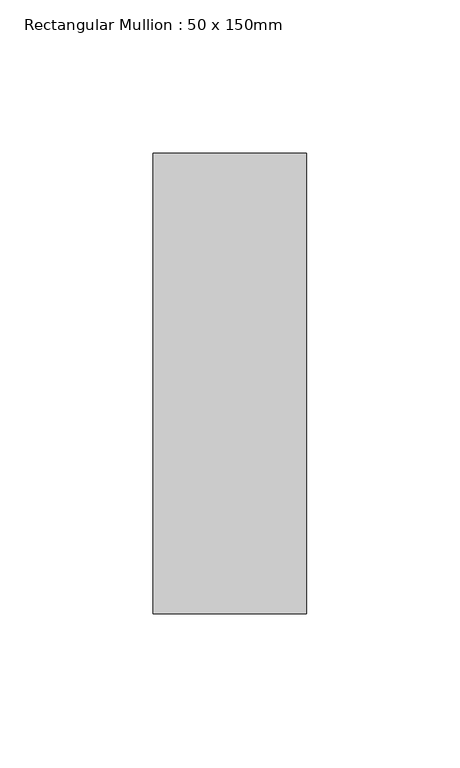
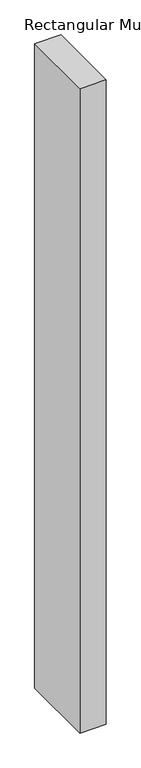
"""IFC4 building model written with IfcOpenShell, lengths in millimetres: member geometry, Rectangular Mullion : 50 x 150mm."""

from ifc_helpers import new_model, si_unit, frame, origin, place, context, project, spatial, polyline, outline, extrude, source, transform, mapped, element, save


def rectangular_mullion_50_x_150mm_1e3c48d4(model_context):
    return source(origin(), model_context, "Body", "SweptSolid", [
        extrude(outline(polyline([(0.0, 75.0), (0.0, -75.0), (-50.0, -75.0), (-50.0, 75.0), (0.0, 75.0)])), frame((0.0, 0.0, -1300.0), z_axis=(0.0, 0.0, 1.0), x_axis=(1.0, 0.0, 0.0)), (0.0, 0.0, 1.0), 1300.0),
    ])


if __name__ == "__main__":
    model = new_model("IFC4")
    model_context = context("Model", 3, world=origin())
    ifc_project = project(units=[si_unit("LENGTHUNIT", "METRE", prefix="MILLI")], contexts=[model_context])
    site = spatial("IfcSite", under=ifc_project)
    building = spatial("IfcBuilding", under=site)
    placement = place(None, origin())
    rectangular_mullion_50_x_150mm_shape = rectangular_mullion_50_x_150mm_1e3c48d4(model_context)
    element("IfcMember", 1, ObjectType="Rectangular Mullion : 50 x 150mm", at=placement, inside=building, context=model_context, shape_type="MappedRepresentation", body=[
        mapped(rectangular_mullion_50_x_150mm_shape, transform((0.0, 0.0, 0.0), x_axis=(1.0, 0.0, 0.0), y_axis=(0.0, 1.0, 0.0), z_axis=(0.0, 0.0, 1.0))),
    ])
    save(model, "model.ifc")
